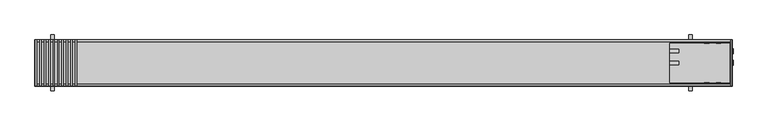
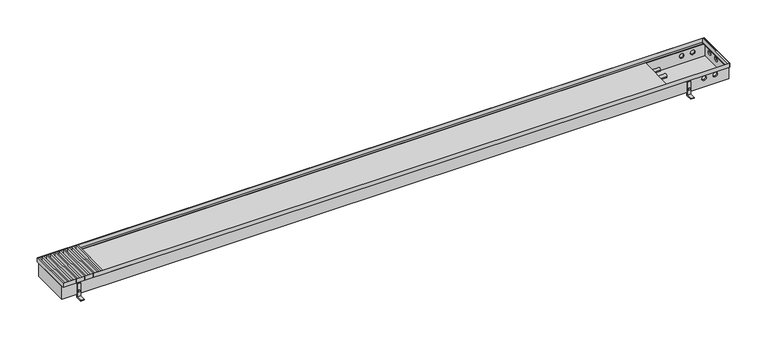
"""IFC4 building model written with IfcOpenShell, lengths in millimetres: proxy geometry."""

from ifc_helpers import new_model, si_unit, point, frame, frame_2d, origin, place, context, project, spatial, polyline, circle_curve, trimmed, segment, composite_curve, outline, extrude, faceted_brep, source, transform, mapped, element, save
from ifc_brep_helpers import plane_surface, revolved_surface, advanced_brep


def mechanical_equipment_fa559199(model_context):
    return source(origin(), model_context, "Body", "SolidModel", [
        extrude(outline(polyline([(173.4012739, -98.5), (173.4012739, 98.5), (179.4012739, 98.5), (179.4012739, -98.5), (173.4012739, -98.5)])), frame((0.0, 0.0, 77.0), z_axis=(0.0, 0.0, 1.0), x_axis=(1.0, 0.0, 0.0)), (0.0, 0.0, 1.0), 18.0),
        extrude(outline(polyline([(154.3566879, -98.5), (154.3566879, 98.5), (160.3566879, 98.5), (160.3566879, -98.5), (154.3566879, -98.5)])), frame((0.0, 0.0, 77.0), z_axis=(0.0, 0.0, 1.0), x_axis=(1.0, 0.0, 0.0)), (0.0, 0.0, 1.0), 18.0),
        extrude(outline(polyline([(135.3121019, -98.5), (135.3121019, 98.5), (141.3121019, 98.5), (141.3121019, -98.5), (135.3121019, -98.5)])), frame((0.0, 0.0, 77.0), z_axis=(0.0, 0.0, 1.0), x_axis=(1.0, 0.0, 0.0)), (0.0, 0.0, 1.0), 18.0),
        extrude(outline(polyline([(116.2675159, -98.5), (116.2675159, 98.5), (122.2675159, 98.5), (122.2675159, -98.5), (116.2675159, -98.5)])), frame((0.0, 0.0, 77.0), z_axis=(0.0, 0.0, 1.0), x_axis=(1.0, 0.0, 0.0)), (0.0, 0.0, 1.0), 18.0),
        extrude(outline(polyline([(97.2229299, -98.5), (97.2229299, 98.5), (103.2229299, 98.5), (103.2229299, -98.5), (97.2229299, -98.5)])), frame((0.0, 0.0, 77.0), z_axis=(0.0, 0.0, 1.0), x_axis=(1.0, 0.0, 0.0)), (0.0, 0.0, 1.0), 18.0),
        extrude(outline(polyline([(78.1783439, -98.5), (78.1783439, 98.5), (84.1783439, 98.5), (84.1783439, -98.5), (78.1783439, -98.5)])), frame((0.0, 0.0, 77.0), z_axis=(0.0, 0.0, 1.0), x_axis=(1.0, 0.0, 0.0)), (0.0, 0.0, 1.0), 18.0),
        extrude(outline(polyline([(59.133758, -98.5), (59.133758, 98.5), (65.133758, 98.5), (65.133758, -98.5), (59.133758, -98.5)])), frame((0.0, 0.0, 77.0), z_axis=(0.0, 0.0, 1.0), x_axis=(1.0, 0.0, 0.0)), (0.0, 0.0, 1.0), 18.0),
        extrude(outline(polyline([(40.089172, -98.5), (40.089172, 98.5), (46.089172, 98.5), (46.089172, -98.5), (40.089172, -98.5)])), frame((0.0, 0.0, 77.0), z_axis=(0.0, 0.0, 1.0), x_axis=(1.0, 0.0, 0.0)), (0.0, 0.0, 1.0), 18.0),
        extrude(outline(polyline([(21.044586, -98.5), (21.044586, 98.5), (27.044586, 98.5), (27.044586, -98.5), (21.044586, -98.5)])), frame((0.0, 0.0, 77.0), z_axis=(0.0, 0.0, 1.0), x_axis=(1.0, 0.0, 0.0)), (0.0, 0.0, 1.0), 18.0),
        extrude(outline(polyline([(2992.0, -98.5), (2992.0, 98.5), (2998.0, 98.5), (2998.0, -98.5), (2992.0, -98.5)])), frame((0.0, 0.0, 77.0), z_axis=(0.0, 0.0, 1.0), x_axis=(1.0, 0.0, 0.0)), (0.0, 0.0, 1.0), 18.0),
        extrude(outline(polyline([(2.0, -98.5), (2.0, 98.5), (8.0, 98.5), (8.0, -98.5), (2.0, -98.5)])), frame((0.0, 0.0, 77.0), z_axis=(0.0, 0.0, 1.0), x_axis=(1.0, 0.0, 0.0)), (0.0, 0.0, 1.0), 18.0),
        faceted_brep([(3000.0, 100.0, 76.0071882), (3000.0, 100.0, 95.0), (3000.0, -100.0, 95.0), (3000.0, -100.0, 76.0071882), (2989.0225165, 89.0225165, 77.0), (2989.0225165, 89.0225165, 76.0071882), (2989.0225165, -89.0225165, 76.0071882), (2989.0225165, -89.0225165, 77.0), (2999.0, 99.0, 95.0), (2999.0, 99.0, 77.0), (2999.0, -99.0, 77.0), (2999.0, -99.0, 95.0), (0.0, -100.0, 95.0), (0.0, -100.0, 76.0071882), (10.9774835, -89.0225165, 76.0071882), (10.9774835, -89.0225165, 77.0), (1.0, -99.0, 77.0), (1.0, -99.0, 95.0), (0.0, 100.0, 95.0), (0.0, 100.0, 76.0071882), (10.9774835, 89.0225165, 76.0071882), (10.9774835, 89.0225165, 77.0), (1.0, 99.0, 77.0), (1.0, 99.0, 95.0)], [[[0, 1, 2, 3]], [[4, 5, 6, 7]], [[8, 9, 10, 11]], [[3, 2, 12, 13]], [[7, 6, 14, 15]], [[11, 10, 16, 17]], [[13, 12, 18, 19]], [[15, 14, 20, 21]], [[17, 16, 22, 23]], [[19, 18, 1, 0]], [[3, 13, 19, 0], [5, 20, 14, 6]], [[21, 20, 5, 4]], [[9, 22, 16, 10], [7, 15, 21, 4]], [[23, 22, 9, 8]], [[1, 18, 12, 2], [11, 17, 23, 8]]]),
        extrude(outline(polyline([(120.0, 0.0), (90.0, 0.0), (90.0, 65.0), (93.0, 65.0), (93.0, 3.0), (120.0, 3.0), (120.0, 0.0)])), frame((2812.5, 0.0, 0.0), z_axis=(1.0, 0.0, 0.0), x_axis=(0.0, 1.0, 0.0)), (0.0, 0.0, 1.0), 15.0),
        extrude(outline(polyline([(32.5, 2815.669873), (27.5, 2815.669873), (25.0, 2820.0), (27.5, 2824.330127), (32.5, 2824.330127), (35.0, 2820.0), (32.5, 2815.669873)])), frame((0.0, 93.0, 0.0), z_axis=(0.0, 1.0, 0.0), x_axis=(0.0, 0.0, 1.0)), (0.0, 0.0, 1.0), 1.0863674),
        extrude(outline(polyline([(120.0, 0.0), (90.0, 0.0), (90.0, 65.0), (93.0, 65.0), (93.0, 3.0), (120.0, 3.0), (120.0, 0.0)])), frame((67.5, 0.0, 0.0), z_axis=(1.0, 0.0, 0.0), x_axis=(0.0, 1.0, 0.0)), (0.0, 0.0, 1.0), 15.0),
        extrude(outline(polyline([(32.5, 70.669873), (27.5, 70.669873), (25.0, 75.0), (27.5, 79.330127), (32.5, 79.330127), (35.0, 75.0), (32.5, 70.669873)])), frame((0.0, 93.0, 0.0), z_axis=(0.0, 1.0, 0.0), x_axis=(0.0, 0.0, 1.0)), (0.0, 0.0, 1.0), 1.0863674),
        extrude(outline(polyline([(-120.0, 0.0), (-120.0, 3.0), (-93.0, 3.0), (-93.0, 65.0), (-90.0, 65.0), (-90.0, 0.0), (-120.0, 0.0)])), frame((2812.5, 0.0, 0.0), z_axis=(1.0, 0.0, 0.0), x_axis=(0.0, 1.0, 0.0)), (0.0, 0.0, 1.0), 15.0),
        extrude(outline(polyline([(32.5, 2815.669873), (27.5, 2815.669873), (25.0, 2820.0), (27.5, 2824.330127), (32.5, 2824.330127), (35.0, 2820.0), (32.5, 2815.669873)])), frame((0.0, -94.0863674, 0.0), z_axis=(0.0, 1.0, 0.0), x_axis=(0.0, 0.0, 1.0)), (0.0, 0.0, 1.0), 1.0863674),
        extrude(outline(polyline([(-120.0, 0.0), (-120.0, 3.0), (-93.0, 3.0), (-93.0, 65.0), (-90.0, 65.0), (-90.0, 0.0), (-120.0, 0.0)])), frame((67.5, 0.0, 0.0), z_axis=(1.0, 0.0, 0.0), x_axis=(0.0, 1.0, 0.0)), (0.0, 0.0, 1.0), 15.0),
        extrude(outline(polyline([(32.5, 70.669873), (27.5, 70.669873), (25.0, 75.0), (27.5, 79.330127), (32.5, 79.330127), (35.0, 75.0), (32.5, 70.669873)])), frame((0.0, -94.0863674, 0.0), z_axis=(0.0, 1.0, 0.0), x_axis=(0.0, 0.0, 1.0)), (0.0, 0.0, 1.0), 1.0863674),
        extrude(outline(composite_curve([segment(trimmed(circle_curve(frame_2d((50.0, 55.0)), 10.0), [point((40.0, 55.0))], [point((60.0, 55.0))], False, "CARTESIAN"), True, "CONTINUOUS"), segment(trimmed(circle_curve(frame_2d((50.0, 55.0)), 10.0), [point((60.0, 55.0))], [point((40.0, 55.0))], False, "CARTESIAN"), True, "CONTINUOUS")], self_intersect=False)), frame((3000.0, 0.0, 0.0), z_axis=(1.0, 0.0, 0.0), x_axis=(0.0, 1.0, 0.0)), (0.0, 0.0, 1.0), 3.0),
        extrude(outline(composite_curve([segment(trimmed(circle_curve(frame_2d((0.0, 55.0)), 10.0), [point((-10.0, 55.0))], [point((10.0, 55.0))], False, "CARTESIAN"), True, "CONTINUOUS"), segment(trimmed(circle_curve(frame_2d((0.0, 55.0)), 10.0), [point((10.0, 55.0))], [point((-10.0, 55.0))], False, "CARTESIAN"), True, "CONTINUOUS")], self_intersect=False)), frame((3000.0, 0.0, 0.0), z_axis=(1.0, 0.0, 0.0), x_axis=(0.0, 1.0, 0.0)), (0.0, 0.0, 1.0), 3.0),
        extrude(outline(composite_curve([segment(trimmed(circle_curve(frame_2d((55.0, 2890.0)), 10.0), [point((55.0, 2900.0))], [point((55.0, 2880.0))], False, "CARTESIAN"), True, "CONTINUOUS"), segment(trimmed(circle_curve(frame_2d((55.0, 2890.0)), 10.0), [point((55.0, 2880.0))], [point((55.0, 2900.0))], False, "CARTESIAN"), True, "CONTINUOUS")], self_intersect=False)), frame((0.0, 90.0, 0.0), z_axis=(0.0, 1.0, 0.0), x_axis=(0.0, 0.0, 1.0)), (0.0, 0.0, 1.0), 3.0),
        extrude(outline(composite_curve([segment(trimmed(circle_curve(frame_2d((55.0, 2940.0)), 10.0), [point((55.0, 2950.0))], [point((55.0, 2930.0))], False, "CARTESIAN"), True, "CONTINUOUS"), segment(trimmed(circle_curve(frame_2d((55.0, 2940.0)), 10.0), [point((55.0, 2930.0))], [point((55.0, 2950.0))], False, "CARTESIAN"), True, "CONTINUOUS")], self_intersect=False)), frame((0.0, 90.0, 0.0), z_axis=(0.0, 1.0, 0.0), x_axis=(0.0, 0.0, 1.0)), (0.0, 0.0, 1.0), 3.0),
        extrude(outline(composite_curve([segment(trimmed(circle_curve(frame_2d((0.0, 55.0)), 7.5), [point((-7.5, 55.0))], [point((7.5, 55.0))], False, "CARTESIAN"), True, "CONTINUOUS"), segment(trimmed(circle_curve(frame_2d((0.0, 55.0)), 7.5), [point((7.5, 55.0))], [point((-7.5, 55.0))], False, "CARTESIAN"), True, "CONTINUOUS")], self_intersect=False)), frame((2730.0, 0.0, 0.0), z_axis=(1.0, 0.0, 0.0), x_axis=(0.0, 1.0, 0.0)), (0.0, 0.0, 1.0), 40.0),
        extrude(outline(composite_curve([segment(trimmed(circle_curve(frame_2d((50.0, 55.0)), 7.5), [point((42.5, 55.0))], [point((57.5, 55.0))], False, "CARTESIAN"), True, "CONTINUOUS"), segment(trimmed(circle_curve(frame_2d((50.0, 55.0)), 7.5), [point((57.5, 55.0))], [point((42.5, 55.0))], False, "CARTESIAN"), True, "CONTINUOUS")], self_intersect=False)), frame((2730.0, 0.0, 0.0), z_axis=(1.0, 0.0, 0.0), x_axis=(0.0, 1.0, 0.0)), (0.0, 0.0, 1.0), 40.0),
        advanced_brep(
        [(3000.0, 90.0, 76.0), (3000.0, 90.0, 15.0), (0.0, 90.0, 15.0), (0.0, 90.0, 76.0), (2880.0, 90.0, 55.0), (2900.0, 90.0, 55.0), (2930.0, 90.0, 55.0), (2950.0, 90.0, 55.0), (3000.0, -90.0, 76.0), (0.0, -90.0, 76.0), (0.0, -90.0, 15.0), (3000.0, -90.0, 15.0), (2900.0, -90.0, 55.0), (2880.0, -90.0, 55.0), (2950.0, -90.0, 55.0), (2930.0, -90.0, 55.0), (3000.0, 10.0, 55.0), (3000.0, -10.0, 55.0), (3000.0, 60.0, 55.0), (3000.0, 40.0, 55.0), (2730.0, 85.0, 76.0), (2995.0, 85.0, 76.0), (2995.0, -85.0, 76.0), (2730.0, -85.0, 76.0), (2730.0, 85.0, 20.0), (2995.0, 85.0, 20.0), (2900.0, 85.0, 55.0), (2880.0, 85.0, 55.0), (2950.0, 85.0, 55.0), (2930.0, 85.0, 55.0), (2995.0, -85.0, 20.0), (2730.0, -85.0, 20.0), (2880.0, -85.0, 55.0), (2900.0, -85.0, 55.0), (2930.0, -85.0, 55.0), (2950.0, -85.0, 55.0), (2995.0, -10.0, 55.0), (2995.0, 10.0, 55.0), (2995.0, 40.0, 55.0), (2995.0, 60.0, 55.0)],
        [
            (0, 1),
            (1, 2),
            (2, 3),
            (3, 0),
            (4, 5, circle_curve(frame((2890.0, 90.0, 55.0), z_axis=(0.0, -1.0, 0.0), x_axis=(-1.0, 0.0, 0.0)), 10.0)),
            (5, 4, circle_curve(frame((2890.0, 90.0, 55.0), z_axis=(0.0, -1.0, 0.0), x_axis=(-1.0, 0.0, 0.0)), 10.0)),
            (6, 7, circle_curve(frame((2940.0, 90.0, 55.0), z_axis=(0.0, -1.0, 0.0), x_axis=(-1.0, 0.0, 0.0)), 10.0)),
            (7, 6, circle_curve(frame((2940.0, 90.0, 55.0), z_axis=(0.0, -1.0, 0.0), x_axis=(-1.0, 0.0, 0.0)), 10.0)),
            (8, 9),
            (9, 10),
            (10, 11),
            (11, 8),
            (12, 13, circle_curve(frame((2890.0, -90.0, 55.0), z_axis=(0.0, 1.0, 0.0), x_axis=(-1.0, 0.0, 0.0)), 10.0)),
            (13, 12, circle_curve(frame((2890.0, -90.0, 55.0), z_axis=(0.0, 1.0, 0.0), x_axis=(-1.0, 0.0, 0.0)), 10.0)),
            (14, 15, circle_curve(frame((2940.0, -90.0, 55.0), z_axis=(0.0, 1.0, 0.0), x_axis=(-1.0, 0.0, 0.0)), 10.0)),
            (15, 14, circle_curve(frame((2940.0, -90.0, 55.0), z_axis=(0.0, 1.0, 0.0), x_axis=(-1.0, 0.0, 0.0)), 10.0)),
            (0, 8),
            (11, 1),
            (16, 17, circle_curve(frame((3000.0, 0.0, 55.0), z_axis=(-1.0, 0.0, 0.0), x_axis=(0.0, 1.0, 0.0)), 10.0)),
            (17, 16, circle_curve(frame((3000.0, 0.0, 55.0), z_axis=(-1.0, 0.0, 0.0), x_axis=(0.0, 1.0, 0.0)), 10.0)),
            (18, 19, circle_curve(frame((3000.0, 50.0, 55.0), z_axis=(-1.0, 0.0, 0.0), x_axis=(0.0, 1.0, 0.0)), 10.0)),
            (19, 18, circle_curve(frame((3000.0, 50.0, 55.0), z_axis=(-1.0, 0.0, 0.0), x_axis=(0.0, 1.0, 0.0)), 10.0)),
            (10, 2),
            (9, 3),
            (20, 21),
            (21, 22),
            (22, 23),
            (23, 20),
            (20, 24),
            (24, 25),
            (25, 21),
            (26, 27, circle_curve(frame((2890.0, 85.0, 55.0), z_axis=(0.0, 1.0, 0.0), x_axis=(-1.0, 0.0, 0.0)), 10.0)),
            (27, 26, circle_curve(frame((2890.0, 85.0, 55.0), z_axis=(0.0, 1.0, 0.0), x_axis=(-1.0, 0.0, 0.0)), 10.0)),
            (28, 29, circle_curve(frame((2940.0, 85.0, 55.0), z_axis=(0.0, 1.0, 0.0), x_axis=(-1.0, 0.0, 0.0)), 10.0)),
            (29, 28, circle_curve(frame((2940.0, 85.0, 55.0), z_axis=(0.0, 1.0, 0.0), x_axis=(-1.0, 0.0, 0.0)), 10.0)),
            (22, 30),
            (30, 31),
            (31, 23),
            (32, 33, circle_curve(frame((2890.0, -85.0, 55.0), z_axis=(0.0, -1.0, 0.0), x_axis=(-1.0, 0.0, 0.0)), 10.0)),
            (33, 32, circle_curve(frame((2890.0, -85.0, 55.0), z_axis=(0.0, -1.0, 0.0), x_axis=(-1.0, 0.0, 0.0)), 10.0)),
            (34, 35, circle_curve(frame((2940.0, -85.0, 55.0), z_axis=(0.0, -1.0, 0.0), x_axis=(-1.0, 0.0, 0.0)), 10.0)),
            (35, 34, circle_curve(frame((2940.0, -85.0, 55.0), z_axis=(0.0, -1.0, 0.0), x_axis=(-1.0, 0.0, 0.0)), 10.0)),
            (25, 30),
            (36, 37, circle_curve(frame((2995.0, 0.0, 55.0), z_axis=(1.0, 0.0, 0.0), x_axis=(0.0, 1.0, 0.0)), 10.0)),
            (37, 36, circle_curve(frame((2995.0, 0.0, 55.0), z_axis=(1.0, 0.0, 0.0), x_axis=(0.0, 1.0, 0.0)), 10.0)),
            (38, 39, circle_curve(frame((2995.0, 50.0, 55.0), z_axis=(1.0, 0.0, 0.0), x_axis=(0.0, 1.0, 0.0)), 10.0)),
            (39, 38, circle_curve(frame((2995.0, 50.0, 55.0), z_axis=(1.0, 0.0, 0.0), x_axis=(0.0, 1.0, 0.0)), 10.0)),
            (24, 31),
            (26, 5),
            (4, 27),
            (12, 33),
            (32, 13),
            (28, 7),
            (6, 29),
            (14, 35),
            (34, 15),
            (36, 17),
            (16, 37),
            (38, 19),
            (18, 39),
        ],
        [
            plane_surface(frame((3000.0, 90.0, 76.0), z_axis=(0.0, 1.0, 0.0), x_axis=(0.0, 0.0, -1.0))),
            plane_surface(frame((3000.0, -90.0, 76.0), z_axis=(0.0, -1.0, 0.0), x_axis=(0.0, 0.0, 1.0))),
            plane_surface(frame((3000.0, 90.0, 76.0), z_axis=(1.0, 0.0, 0.0), x_axis=(0.0, -1.0, 0.0))),
            plane_surface(frame((3000.0, 90.0, 15.0), z_axis=(0.0, 0.0, -1.0), x_axis=(0.0, -1.0, 0.0))),
            plane_surface(frame((0.0, 90.0, 15.0), z_axis=(-1.0, 0.0, 0.0), x_axis=(0.0, -1.0, 0.0))),
            plane_surface(frame((0.0, 90.0, 76.0), z_axis=(0.0, 0.0, 1.0), x_axis=(0.0, -1.0, 0.0))),
            plane_surface(frame((2995.0, 85.0, 76.0), z_axis=(0.0, -1.0, 0.0), x_axis=(0.0, 0.0, -1.0))),
            plane_surface(frame((2995.0, -85.0, 76.0), z_axis=(0.0, 1.0, 0.0), x_axis=(0.0, 0.0, 1.0))),
            plane_surface(frame((2995.0, 85.0, 76.0), z_axis=(-1.0, 0.0, 0.0), x_axis=(0.0, -1.0, 0.0))),
            plane_surface(frame((2995.0, 85.0, 20.0), z_axis=(0.0, 0.0, 1.0), x_axis=(0.0, -1.0, 0.0))),
            plane_surface(frame((2730.0, 85.0, 20.0), z_axis=(1.0, 0.0, 0.0), x_axis=(0.0, -1.0, 0.0))),
            revolved_surface(polyline([(2880.0, 90.0, 55.0), (2880.0, 85.0, 55.0)]), (2890.0, -90.0, 55.0), (0.0, 1.0, 0.0)),
            revolved_surface(polyline([(2880.0, -85.0, 55.0), (2880.0, -90.0, 55.0)]), (2890.0, -90.0, 55.0), (0.0, 1.0, 0.0)),
            revolved_surface(polyline([(2930.0, 90.0, 55.0), (2930.0, 85.0, 55.0)]), (2940.0, -95.0, 55.0), (0.0, 1.0, 0.0)),
            revolved_surface(polyline([(2930.0, -85.0, 55.0), (2930.0, -90.0, 55.0)]), (2940.0, -95.0, 55.0), (0.0, 1.0, 0.0)),
            revolved_surface(polyline([(3000.0, 10.0, 55.0), (2995.0, 10.0, 55.0)]), (2940.0, 0.0, 55.0), (1.0, 0.0, 0.0)),
            revolved_surface(polyline([(3000.0, 60.0, 55.0), (2995.0, 60.0, 55.0)]), (0.0, 50.0, 55.0), (1.0, 0.0, 0.0)),
        ],
        [
            (0, [[1, 2, 3, 4], [5, 6], [7, 8]]),
            (1, [[9, 10, 11, 12], [13, 14], [15, 16]]),
            (2, [[-1, 17, -12, 18], [19, 20], [21, 22]]),
            (3, [[-2, -18, -11, 23]]),
            (4, [[-3, -23, -10, 24]]),
            (5, [[-4, -24, -9, -17], [25, 26, 27, 28]]),
            (6, [[29, 30, 31, -25], [32, 33], [34, 35]]),
            (7, [[36, 37, 38, -27], [39, 40], [41, 42]]),
            (8, [[-31, 43, -36, -26], [44, 45], [46, 47]]),
            (9, [[-30, 48, -37, -43]]),
            (10, [[-29, -28, -38, -48]]),
            (11, [[49, -5, 50, -32]]),
            (12, [[51, -39, 52, -13]]),
            (11, [[-49, -33, -50, -6]]),
            (12, [[-51, -14, -52, -40]]),
            (13, [[53, -7, 54, -34]]),
            (14, [[55, -41, 56, -15]]),
            (13, [[-53, -35, -54, -8]]),
            (14, [[-55, -16, -56, -42]]),
            (15, [[57, -19, 58, -44]]),
            (15, [[-57, -45, -58, -20]]),
            (16, [[59, -21, 60, -46]]),
            (16, [[-59, -47, -60, -22]]),
        ],
    ),
    ])


if __name__ == "__main__":
    model = new_model("IFC4")
    model_context = context("Model", 3, world=origin())
    ifc_project = project(units=[si_unit("LENGTHUNIT", "METRE", prefix="MILLI")], contexts=[model_context])
    site = spatial("IfcSite", under=ifc_project)
    building = spatial("IfcBuilding", under=site)
    placement = place(None, origin())
    mechanical_equipment_shape = mechanical_equipment_fa559199(model_context)
    element("IfcBuildingElementProxy", 1, Name="Mechanical Equipment", at=placement, inside=building, context=model_context, shape_type="MappedRepresentation", body=[
        mapped(mechanical_equipment_shape, transform((0.0, 0.0, 0.0), x_axis=(1.0, 0.0, 0.0), y_axis=(0.0, 1.0, 0.0), z_axis=(0.0, 0.0, 1.0))),
    ])
    save(model, "model.ifc")
